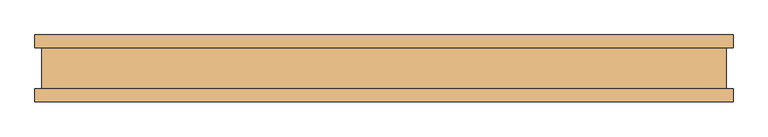
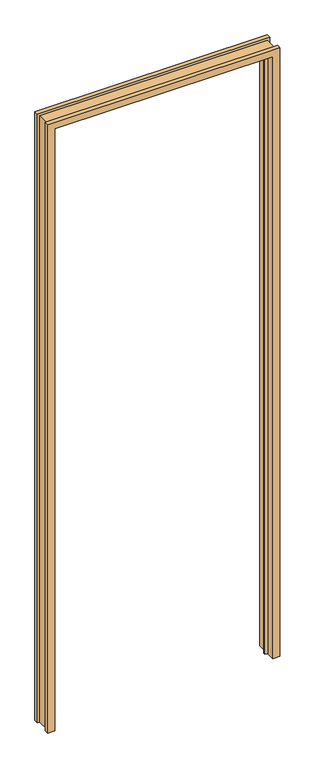
"""IFC4 building model written with IfcOpenShell, lengths in millimetres: door geometry."""

from ifc_helpers import new_model, si_unit, origin, place, context, project, spatial, faceted_brep, source, transform, mapped, element, save


def door_bfe36a08(model_context):
    return source(origin(), model_context, "Body", "Brep", [
        faceted_brep([(-498.6782, 50.8, 0.0), (-498.6782, -2.5906997, 0.0), (-485.7242, -2.5906997, 0.0), (-485.7242, -10.8710997, 0.0), (-498.6782, -10.8710997, 0.0), (-498.6782, -50.8, 0.0), (-531.3172, -50.8, 0.0), (-531.3172, -31.4833003, 0.0), (-520.7, -31.4833003, 0.0), (-520.7, 31.4833003, 0.0), (-531.3172, 31.4833003, 0.0), (-531.3172, 50.8, 0.0), (498.6782, 50.8, 0.0), (531.3172, 50.8, 0.0), (531.3172, 31.4833003, 0.0), (520.7, 31.4833003, 0.0), (520.7, -31.4833003, 0.0), (531.3172, -31.4833003, 0.0), (531.3172, -50.8, 0.0), (498.6782, -50.8, 0.0), (498.6782, -10.8710997, 0.0), (485.7242, -10.8710997, 0.0), (485.7242, -2.5906997, 0.0), (498.6782, -2.5906997, 0.0), (-498.6782, 50.8, 2911.4675997), (-498.6782, -2.5906997, 2911.4675997), (498.6782, -2.5906997, 2911.4675997), (485.7242, -2.5906997, 2898.5135997), (-485.7242, -2.5906997, 2898.5135997), (-485.7242, -10.8710997, 2898.5135997), (485.7242, -10.8710997, 2898.5135997), (498.6782, -10.8710997, 2911.4675997), (-498.6782, -10.8710997, 2911.4675997), (-498.6782, -50.8, 2911.4675997), (498.6782, -50.8, 2911.4675997), (531.3172, -50.8, 2944.1065997), (-531.3172, -50.8, 2944.1065997), (-531.3172, -31.4833003, 2944.1065997), (531.3172, -31.4833003, 2944.1065997), (520.7, -31.4833003, 2933.4893997), (-520.7, -31.4833003, 2933.4893997), (-520.7, 31.4833003, 2933.4893997), (520.7, 31.4833003, 2933.4893997), (531.3172, 31.4833003, 2944.1065997), (-531.3172, 31.4833003, 2944.1065997), (-531.3172, 50.8, 2944.1065997), (531.3172, 50.8, 2944.1065997), (498.6782, 50.8, 2911.4675997)], [[[0, 1, 2, 3, 4, 5, 6, 7, 8, 9, 10, 11]], [[12, 13, 14, 15, 16, 17, 18, 19, 20, 21, 22, 23]], [[1, 0, 24, 25]], [[2, 1, 25, 26, 23, 22, 27, 28]], [[3, 2, 28, 29]], [[4, 3, 29, 30, 21, 20, 31, 32]], [[5, 4, 32, 33]], [[6, 5, 33, 34, 19, 18, 35, 36]], [[7, 6, 36, 37]], [[8, 7, 37, 38, 17, 16, 39, 40]], [[9, 8, 40, 41]], [[10, 9, 41, 42, 15, 14, 43, 44]], [[11, 10, 44, 45]], [[0, 11, 45, 46, 13, 12, 47, 24]], [[25, 24, 47, 26]], [[29, 28, 27, 30]], [[33, 32, 31, 34]], [[37, 36, 35, 38]], [[41, 40, 39, 42]], [[45, 44, 43, 46]], [[26, 47, 12, 23]], [[30, 27, 22, 21]], [[34, 31, 20, 19]], [[38, 35, 18, 17]], [[42, 39, 16, 15]], [[46, 43, 14, 13]]]),
    ])


if __name__ == "__main__":
    model = new_model("IFC4")
    model_context = context("Model", 3, world=origin())
    ifc_project = project(units=[si_unit("LENGTHUNIT", "METRE", prefix="MILLI")], contexts=[model_context])
    site = spatial("IfcSite", under=ifc_project)
    building = spatial("IfcBuilding", under=site)
    placement = place(None, origin())
    door_shape = door_bfe36a08(model_context)
    element("IfcDoor", 1, at=placement, inside=building, context=model_context, shape_type="MappedRepresentation", body=[
        mapped(door_shape, transform((0.0, 0.0, 0.0), x_axis=(1.0, 0.0, 0.0), y_axis=(0.0, 1.0, 0.0), z_axis=(0.0, 0.0, 1.0))),
    ])
    save(model, "model.ifc")
